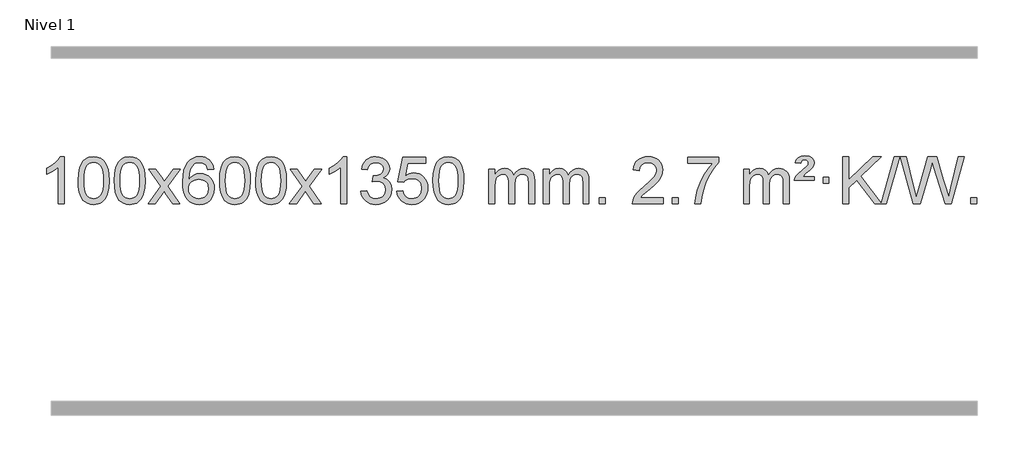
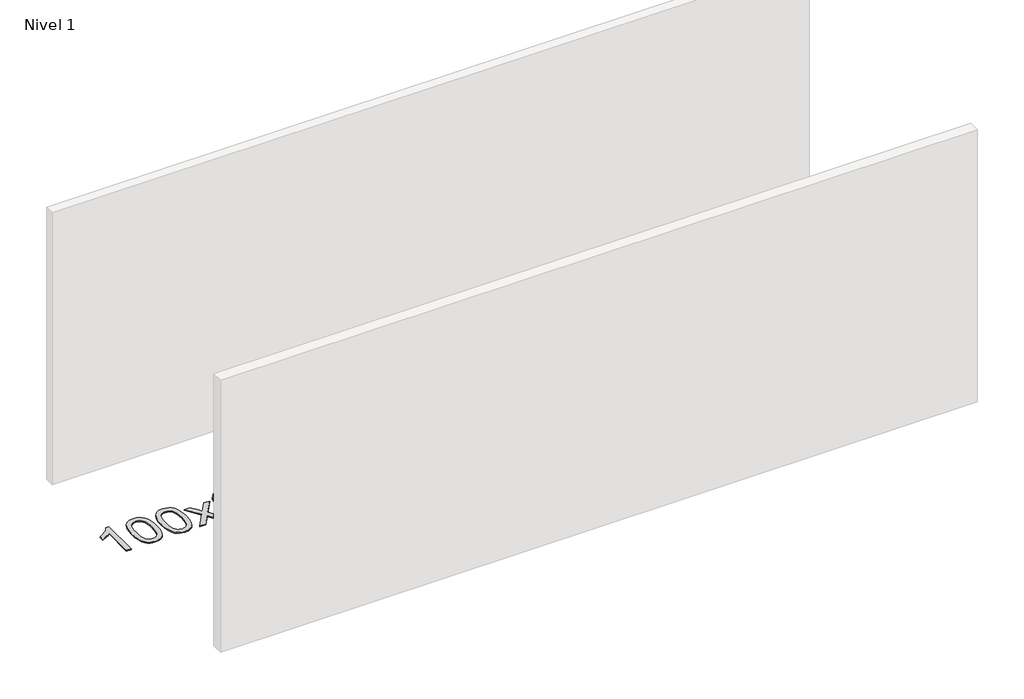
# One storey, part 4 of 8: 1 proxy.
"""IFC4 building model written with IfcOpenShell, lengths in millimetres."""

from ifc_helpers import new_model, si_unit, origin, origin_with_axes, place, context, project, spatial, polyline, outline, extrude, element, save

model = new_model("IFC4")

# Units and contexts
model_context = context("Model", 3, world=origin())
ifc_project = project(units=[si_unit("LENGTHUNIT", "METRE", prefix="MILLI")], contexts=[model_context])

# Site, building, storey
site = spatial("IfcSite", under=ifc_project)
building = spatial("IfcBuilding", under=site)
storey = spatial("IfcBuildingStorey", under=building, Name="Nivel 1", Elevation=0.0)

# Proxy
placement = place(None, origin())
element("IfcBuildingElementProxy", 1, Name="Texto de modelo 1", ObjectType="Texto de modelo 1", at=placement, inside=storey, context=model_context, shape_type="SweptSolid", body=[
    extrude(outline(polyline([(-121.6378538, -9415.579453), (-171.8660089, -9415.579453), (-171.8660089, -9102.4382987), (-192.8352826, -9119.3976587), (-219.4454136, -9136.3324932), (-272.3223191, -9161.6918254), (-272.3223191, -9114.2105225), (-232.8731065, -9092.7507395), (-198.6968691, -9067.219729), (-171.7556443, -9040.0700378), (-154.0114694, -9013.7542124), (-121.6378538, -9013.7542124), (-121.6378538, -9415.579453)])), origin_with_axes(), (0.0, 0.0, 1.0), 10.0),
    extrude(outline(polyline([(-2.3459855, -9217.9041943), (1.3450971, -9153.5861588), (12.4183452, -9102.2911459), (30.763394, -9063.2343407), (42.621457, -9048.0009605), (56.269879, -9035.6309284), (71.7546453, -9026.0598651), (89.1217412, -9019.2233914), (129.5029215, -9013.7542124), (160.4540601, -9016.991574), (188.167837, -9026.7036586), (211.3444027, -9042.5103217), (228.6839074, -9064.0314184), (241.7805065, -9091.0830078), (252.2283551, -9123.4811488), (259.0709602, -9164.6226186), (261.3518286, -9217.9041943), (257.6975341, -9281.8543477), (246.7346507, -9333.0267333), (228.4999664, -9372.1203266), (216.6694946, -9387.3996922), (203.0302696, -9399.8341036), (187.5271092, -9409.4695462), (170.1048311, -9416.3520052), (129.5029215, -9421.8579724), (101.8381955, -9419.4667394), (77.3127291, -9412.2930405), (55.9265225, -9400.3368757), (37.6795755, -9383.5982449), (20.1683926, -9353.3399508), (7.6604047, -9315.6381776), (0.155612, -9270.4929255), (-2.3459855, -9217.9041943)]), holes=[polyline([(47.8821695, -9217.8060924), (49.3536975, -9261.4706195), (53.7682815, -9296.8148822), (61.1259214, -9323.8388804), (71.4266172, -9342.5426142), (83.8855541, -9355.2682656), (97.7179171, -9364.3580165), (112.9237063, -9369.8118671), (129.5029215, -9371.6298173), (146.0821368, -9369.8057357), (161.2879259, -9364.3334911), (175.1202889, -9355.2130833), (187.5792258, -9342.4445124), (197.8799217, -9323.7101217), (205.2375616, -9296.6922549), (209.6521455, -9261.3909118), (211.1236735, -9217.8060924), (209.7011965, -9175.2973278), (205.4337653, -9140.5753989), (198.3213801, -9113.6403055), (188.3640408, -9094.4920476), (176.1135703, -9081.1440625), (162.1217918, -9071.6097875), (146.3887051, -9065.8892225), (128.9143103, -9063.9823675), (112.4209342, -9065.6623619), (97.4726625, -9070.7023452), (84.0694951, -9079.1023175), (72.2114321, -9090.8622786), (61.5673797, -9111.708925), (53.9644852, -9139.8151094), (49.4027484, -9175.1808319), (47.8821695, -9217.8060924)])]), origin_with_axes(), (0.0, 0.0, 1.0), 10.0),
    extrude(outline(polyline([(305.3014643, -9217.9041943), (308.992547, -9153.5861588), (320.065795, -9102.2911459), (338.4108439, -9063.2343407), (350.2689068, -9048.0009605), (363.9173289, -9035.6309284), (379.4020952, -9026.0598651), (396.769191, -9019.2233914), (437.1503714, -9013.7542124), (468.1015099, -9016.991574), (495.8152869, -9026.7036586), (518.9918526, -9042.5103217), (536.3313573, -9064.0314184), (549.4279563, -9091.0830078), (559.8758049, -9123.4811488), (566.7184101, -9164.6226186), (568.9992784, -9217.9041943), (565.3449839, -9281.8543477), (554.3821005, -9333.0267333), (536.1474163, -9372.1203266), (524.3169444, -9387.3996922), (510.6777195, -9399.8341036), (495.174559, -9409.4695462), (477.7522809, -9416.3520052), (437.1503714, -9421.8579724), (409.4856453, -9419.4667394), (384.960179, -9412.2930405), (363.5739723, -9400.3368757), (345.3270254, -9383.5982449), (327.8158424, -9353.3399508), (315.3078546, -9315.6381776), (307.8030619, -9270.4929255), (305.3014643, -9217.9041943)]), holes=[polyline([(355.5296194, -9217.8060924), (357.0011473, -9261.4706195), (361.4157313, -9296.8148822), (368.7733712, -9323.8388804), (379.0740671, -9342.5426142), (391.533004, -9355.2682656), (405.365367, -9364.3580165), (420.5711561, -9369.8118671), (437.1503714, -9371.6298173), (453.7295866, -9369.8057357), (468.9353757, -9364.3334911), (482.7677388, -9355.2130833), (495.2266757, -9342.4445124), (505.5273715, -9323.7101217), (512.8850114, -9296.6922549), (517.2995954, -9261.3909118), (518.7711234, -9217.8060924), (517.3486463, -9175.2973278), (513.0812152, -9140.5753989), (505.9688299, -9113.6403055), (496.0114906, -9094.4920476), (483.7610201, -9081.1440625), (469.7692416, -9071.6097875), (454.0361549, -9065.8892225), (436.5617602, -9063.9823675), (420.068384, -9065.6623619), (405.1201123, -9070.7023452), (391.716945, -9079.1023175), (379.858882, -9090.8622786), (369.2148296, -9111.708925), (361.611935, -9139.8151094), (357.0501983, -9175.1808319), (355.5296194, -9217.8060924)])]), origin_with_axes(), (0.0, 0.0, 1.0), 10.0),
    extrude(outline(polyline([(594.113356, -9415.579453), (701.4367967, -9267.2494325), (600.3918754, -9120.4890419), (660.8226244, -9120.4890419), (709.5792515, -9191.122385), (732.3388843, -9224.4770192), (752.0573592, -9197.2047007), (807.583015, -9120.4890419), (868.0137641, -9120.4890419), (761.8675458, -9267.2494325), (864.0896895, -9415.579453), (803.6589404, -9415.579453), (742.1490708, -9326.4048574), (730.8673563, -9310.1199477), (654.544105, -9415.579453), (594.113356, -9415.579453)])), origin_with_axes(), (0.0, 0.0, 1.0), 10.0),
    extrude(outline(polyline([(1152.9015812, -9120.4890419), (1102.6734261, -9126.7675613), (1094.5800222, -9101.874213), (1083.6416642, -9084.8780648), (1060.857506, -9069.2062918), (1033.3154073, -9063.9823675), (1009.9671633, -9067.0235253), (987.9923455, -9076.1469988), (969.1199991, -9095.3627017), (953.7057435, -9121.8134171), (943.2946831, -9159.227016), (939.4319221, -9211.3313693), (959.5795927, -9187.8237098), (983.7249143, -9171.2567573), (1010.5189863, -9161.434308), (1038.612908, -9158.1601582), (1062.7459669, -9160.398107), (1085.0150903, -9167.1119534), (1105.4202783, -9178.3016975), (1123.9615309, -9193.9673391), (1139.3696551, -9213.1769106), (1150.3754581, -9234.9984443), (1156.97894, -9259.4319401), (1159.1801006, -9286.4773982), (1155.0352967, -9322.4439945), (1142.6008853, -9355.786366), (1122.9069358, -9384.0642287), (1096.9835179, -9404.8372987), (1066.0078539, -9417.602804), (1031.1571662, -9421.8579724), (1001.2146375, -9419.0375437), (974.1722452, -9410.5762579), (950.0299893, -9396.4741147), (928.7878697, -9376.7311143), (911.4698248, -9350.5133908), (899.0997927, -9316.9870783), (891.6777734, -9276.1521768), (889.203767, -9228.0086864), (891.9506193, -9174.0342663), (900.191176, -9127.9693092), (913.9254371, -9089.8138149), (933.1534027, -9059.5677835), (953.9939177, -9039.5243462), (978.1576335, -9025.2076052), (1005.6445499, -9016.6175606), (1036.454667, -9013.7542124), (1059.5883131, -9015.5261773), (1080.52693, -9020.8420722), (1099.2705176, -9029.7018969), (1115.8190761, -9042.1056515), (1129.7250155, -9057.6364031), (1140.5407461, -9075.8772186), (1148.266268, -9096.8280983), (1152.9015812, -9120.4890419)]), holes=[polyline([(939.4319221, -9285.6925832), (942.3381899, -9307.9494439), (951.0569932, -9329.2007605), (964.5950506, -9347.472233), (981.9590807, -9360.7895612), (1002.9160917, -9368.9197533), (1027.2330916, -9371.6298173), (1060.3792594, -9366.0134855), (1074.2943959, -9358.9930708), (1086.4375674, -9349.1644901), (1096.2876078, -9336.9262824), (1103.323351, -9322.6769865), (1108.9519455, -9288.1451299), (1103.3969274, -9254.9989621), (1096.4531547, -9241.3781312), (1086.731873, -9229.725469), (1074.5519133, -9220.3904634), (1060.2321066, -9213.7226022), (1025.1729524, -9208.3883133), (992.0758356, -9213.7226022), (964.3988468, -9229.725469), (953.4758173, -9241.2248471), (945.6736533, -9254.3858254), (940.9923549, -9269.2084042), (939.4319221, -9285.6925832)])]), origin_with_axes(), (0.0, 0.0, 1.0), 10.0),
    extrude(outline(polyline([(1203.1297362, -9217.9041943), (1206.8208189, -9153.5861588), (1217.894067, -9102.2911459), (1236.2391158, -9063.2343407), (1248.0971788, -9048.0009605), (1261.7456008, -9035.6309284), (1277.2303671, -9026.0598651), (1294.597463, -9019.2233914), (1334.9786433, -9013.7542124), (1365.9297818, -9016.991574), (1393.6435588, -9026.7036586), (1416.8201245, -9042.5103217), (1434.1596292, -9064.0314184), (1447.2562282, -9091.0830078), (1457.7040769, -9123.4811488), (1464.546682, -9164.6226186), (1466.8275504, -9217.9041943), (1463.1732559, -9281.8543477), (1452.2103725, -9333.0267333), (1433.9756882, -9372.1203266), (1422.1452164, -9387.3996922), (1408.5059914, -9399.8341036), (1393.002831, -9409.4695462), (1375.5805529, -9416.3520052), (1334.9786433, -9421.8579724), (1307.3139173, -9419.4667394), (1282.7884509, -9412.2930405), (1261.4022443, -9400.3368757), (1243.1552973, -9383.5982449), (1225.6441144, -9353.3399508), (1213.1361265, -9315.6381776), (1205.6313338, -9270.4929255), (1203.1297362, -9217.9041943)]), holes=[polyline([(1253.3578913, -9217.8060924), (1254.8294193, -9261.4706195), (1259.2440032, -9296.8148822), (1266.6016432, -9323.8388804), (1276.902339, -9342.5426142), (1289.3612759, -9355.2682656), (1303.1936389, -9364.3580165), (1318.3994281, -9369.8118671), (1334.9786433, -9371.6298173), (1351.5578586, -9369.8057357), (1366.7636477, -9364.3334911), (1380.5960107, -9355.2130833), (1393.0549476, -9342.4445124), (1403.3556435, -9323.7101217), (1410.7132834, -9296.6922549), (1415.1278673, -9261.3909118), (1416.5993953, -9217.8060924), (1415.1769183, -9175.2973278), (1410.9094871, -9140.5753989), (1403.7971019, -9113.6403055), (1393.8397625, -9094.4920476), (1381.5892921, -9081.1440625), (1367.5975136, -9071.6097875), (1351.8644269, -9065.8892225), (1334.3900321, -9063.9823675), (1317.896656, -9065.6623619), (1302.9483843, -9070.7023452), (1289.5452169, -9079.1023175), (1277.6871539, -9090.8622786), (1267.0431015, -9111.708925), (1259.440207, -9139.8151094), (1254.8784702, -9175.1808319), (1253.3578913, -9217.8060924)])]), origin_with_axes(), (0.0, 0.0, 1.0), 10.0),
    extrude(outline(polyline([(1510.7771861, -9217.9041943), (1514.4682688, -9153.5861588), (1525.5415168, -9102.2911459), (1543.8865656, -9063.2343407), (1555.7446286, -9048.0009605), (1569.3930506, -9035.6309284), (1584.877817, -9026.0598651), (1602.2449128, -9019.2233914), (1642.6260932, -9013.7542124), (1673.5772317, -9016.991574), (1701.2910087, -9026.7036586), (1724.4675743, -9042.5103217), (1741.8070791, -9064.0314184), (1754.9036781, -9091.0830078), (1765.3515267, -9123.4811488), (1772.1941319, -9164.6226186), (1774.4750002, -9217.9041943), (1770.8207057, -9281.8543477), (1759.8578223, -9333.0267333), (1741.6231381, -9372.1203266), (1729.7926662, -9387.3996922), (1716.1534413, -9399.8341036), (1700.6502808, -9409.4695462), (1683.2280027, -9416.3520052), (1642.6260932, -9421.8579724), (1614.9613671, -9419.4667394), (1590.4359008, -9412.2930405), (1569.0496941, -9400.3368757), (1550.8027472, -9383.5982449), (1533.2915642, -9353.3399508), (1520.7835764, -9315.6381776), (1513.2787836, -9270.4929255), (1510.7771861, -9217.9041943)]), holes=[polyline([(1561.0053412, -9217.8060924), (1562.4768691, -9261.4706195), (1566.8914531, -9296.8148822), (1574.249093, -9323.8388804), (1584.5497888, -9342.5426142), (1597.0087258, -9355.2682656), (1610.8410888, -9364.3580165), (1626.0468779, -9369.8118671), (1642.6260932, -9371.6298173), (1659.2053084, -9369.8057357), (1674.4110975, -9364.3334911), (1688.2434606, -9355.2130833), (1700.7023975, -9342.4445124), (1711.0030933, -9323.7101217), (1718.3607332, -9296.6922549), (1722.7753172, -9261.3909118), (1724.2468452, -9217.8060924), (1722.8243681, -9175.2973278), (1718.556937, -9140.5753989), (1711.4445517, -9113.6403055), (1701.4872124, -9094.4920476), (1689.2367419, -9081.1440625), (1675.2449634, -9071.6097875), (1659.5118767, -9065.8892225), (1642.037482, -9063.9823675), (1625.5441058, -9065.6623619), (1610.5958341, -9070.7023452), (1597.1926667, -9079.1023175), (1585.3346038, -9090.8622786), (1574.6905514, -9111.708925), (1567.0876568, -9139.8151094), (1562.5259201, -9175.1808319), (1561.0053412, -9217.8060924)])]), origin_with_axes(), (0.0, 0.0, 1.0), 10.0),
    extrude(outline(polyline([(1799.5890778, -9415.579453), (1906.9125185, -9267.2494325), (1805.8675971, -9120.4890419), (1866.2983462, -9120.4890419), (1915.0549733, -9191.122385), (1937.8146061, -9224.4770192), (1957.533081, -9197.2047007), (2013.0587368, -9120.4890419), (2073.4894859, -9120.4890419), (1967.3432676, -9267.2494325), (2069.5654113, -9415.579453), (2009.1346622, -9415.579453), (1947.6247926, -9326.4048574), (1936.3430781, -9310.1199477), (1860.0198268, -9415.579453), (1799.5890778, -9415.579453)])), origin_with_axes(), (0.0, 0.0, 1.0), 10.0),
    extrude(outline(polyline([(2289.3135897, -9415.579453), (2239.0854347, -9415.579453), (2239.0854347, -9102.4382987), (2218.1161609, -9119.3976587), (2191.50603, -9136.3324932), (2138.6291245, -9161.6918254), (2138.6291245, -9114.2105225), (2178.0783371, -9092.7507395), (2212.2545745, -9067.219729), (2239.1957993, -9040.0700378), (2256.9399742, -9013.7542124), (2289.3135897, -9013.7542124), (2289.3135897, -9415.579453)])), origin_with_axes(), (0.0, 0.0, 1.0), 10.0),
    extrude(outline(polyline([(2408.605458, -9308.8446235), (2458.8336131, -9302.5661041), (2470.0785394, -9334.1303793), (2486.5473901, -9355.4430095), (2509.0495055, -9367.5831154), (2538.3942259, -9371.6298173), (2572.8279807, -9366.0625364), (2587.1018021, -9359.1034354), (2599.4135862, -9349.3606939), (2616.4097344, -9324.4428201), (2622.0751171, -9294.2274455), (2616.4587853, -9265.5449126), (2599.6097899, -9242.2825078), (2574.1033049, -9226.8682522), (2542.5145043, -9221.730167), (2507.2959346, -9227.2238715), (2512.8877409, -9176.9957164), (2520.9320939, -9177.5843276), (2551.0248411, -9173.979084), (2577.9292777, -9163.1633534), (2589.0025257, -9154.9841103), (2596.9119886, -9144.8673555), (2601.6576664, -9132.8130888), (2603.239559, -9118.8213102), (2598.6532968, -9097.1285352), (2584.8945101, -9079.5315131), (2563.9007109, -9067.8696539), (2537.609411, -9063.9823675), (2511.2690602, -9067.9064421), (2489.7357007, -9079.6786659), (2474.0148768, -9099.299039), (2465.1121325, -9126.7675613), (2414.8839774, -9120.4890419), (2420.8375344, -9096.5092672), (2429.6728336, -9075.3867093), (2441.3898752, -9057.1213683), (2455.988659, -9041.713244), (2473.0093327, -9029.4811677), (2491.9920436, -9020.7439703), (2512.9367919, -9015.5016519), (2535.8435774, -9013.7542124), (2567.4201154, -9017.2000404), (2596.4214793, -9027.5375245), (2620.8733693, -9043.8469596), (2638.8014852, -9065.2086408), (2649.8011568, -9089.8199463), (2653.467714, -9115.8782543), (2649.9850978, -9140.1584659), (2639.5372491, -9162.1823347), (2622.2713208, -9180.9443165), (2598.3344657, -9195.4388671), (2629.7761135, -9208.1430586), (2653.0753066, -9229.77452), (2667.4962808, -9259.1560286), (2672.3032722, -9295.1103623), (2669.8997765, -9320.5923218), (2662.6892894, -9344.0631931), (2650.6718109, -9365.5229762), (2633.847341, -9384.971671), (2613.3501825, -9401.1094278), (2590.3146382, -9412.636397), (2564.7407082, -9419.5525785), (2536.6283924, -9421.8579724), (2511.2200092, -9419.8898037), (2488.067969, -9413.9852977), (2467.1722717, -9404.1444543), (2448.5329173, -9390.3672736), (2432.9040638, -9373.4630959), (2421.0398695, -9354.2412617), (2412.9403342, -9332.7017708), (2408.605458, -9308.8446235)])), origin_with_axes(), (0.0, 0.0, 1.0), 10.0),
    extrude(outline(polyline([(2716.2529079, -9308.8446235), (2766.481063, -9302.5661041), (2775.7026383, -9332.7201649), (2791.7913442, -9354.3148381), (2814.6736043, -9367.3010725), (2844.2758422, -9371.6298173), (2863.4057059, -9370.1245668), (2880.2792268, -9365.6088153), (2894.8964047, -9358.0825628), (2907.2572398, -9347.5458094), (2917.0858204, -9334.519721), (2924.1062352, -9319.5254641), (2929.7225669, -9283.6324441), (2924.4618544, -9249.8363514), (2917.8859638, -9235.9181493), (2908.6797168, -9223.9865099), (2896.8124568, -9214.4154467), (2882.2535268, -9207.5789729), (2845.0606571, -9202.1097939), (2820.6946063, -9204.2925604), (2800.9638686, -9210.8408599), (2785.2062565, -9220.8717757), (2772.7595823, -9233.5023908), (2722.5314273, -9227.2238715), (2766.481063, -9020.0327318), (2961.1151639, -9020.0327318), (2961.1151639, -9070.2608869), (2807.0952352, -9070.2608869), (2785.6109267, -9180.919791), (2803.3367075, -9168.2155994), (2821.491684, -9159.1411769), (2840.0758561, -9153.6965234), (2859.0892239, -9151.8816388), (2883.5503109, -9154.1318504), (2906.0187037, -9160.882485), (2926.4944024, -9172.1335427), (2944.977407, -9187.8850234), (2960.2782323, -9207.1743027), (2971.2073933, -9229.038756), (2977.7648898, -9253.4783832), (2979.950722, -9280.4931844), (2977.9825533, -9306.5147042), (2972.0780473, -9330.7213394), (2962.237204, -9353.1130902), (2948.4600232, -9373.6899565), (2927.5888514, -9394.7634634), (2903.2350633, -9409.8159684), (2875.398659, -9418.8474714), (2844.0796385, -9421.8579724), (2818.1592862, -9419.9235262), (2794.7466629, -9414.1201877), (2773.8417685, -9404.447957), (2755.4446031, -9390.9068338), (2740.1376464, -9374.1712688), (2728.5033783, -9354.915712), (2720.5417988, -9333.1401636), (2716.2529079, -9308.8446235)])), origin_with_axes(), (0.0, 0.0, 1.0), 10.0),
    extrude(outline(polyline([(3023.9003577, -9217.9041943), (3027.5914404, -9153.5861588), (3038.6646885, -9102.2911459), (3057.0097373, -9063.2343407), (3068.8678003, -9048.0009605), (3082.5162223, -9035.6309284), (3098.0009886, -9026.0598651), (3115.3680844, -9019.2233914), (3155.7492648, -9013.7542124), (3186.7004033, -9016.991574), (3214.4141803, -9026.7036586), (3237.590746, -9042.5103217), (3254.9302507, -9064.0314184), (3268.0268497, -9091.0830078), (3278.4746984, -9123.4811488), (3285.3173035, -9164.6226186), (3287.5981719, -9217.9041943), (3283.9438774, -9281.8543477), (3272.9809939, -9333.0267333), (3254.7463097, -9372.1203266), (3242.9158379, -9387.3996922), (3229.2766129, -9399.8341036), (3213.7734525, -9409.4695462), (3196.3511743, -9416.3520052), (3155.7492648, -9421.8579724), (3128.0845387, -9419.4667394), (3103.5590724, -9412.2930405), (3082.1728657, -9400.3368757), (3063.9259188, -9383.5982449), (3046.4147358, -9353.3399508), (3033.906748, -9315.6381776), (3026.4019553, -9270.4929255), (3023.9003577, -9217.9041943)]), holes=[polyline([(3074.1285128, -9217.8060924), (3075.6000408, -9261.4706195), (3080.0146247, -9296.8148822), (3087.3722646, -9323.8388804), (3097.6729605, -9342.5426142), (3110.1318974, -9355.2682656), (3123.9642604, -9364.3580165), (3139.1700495, -9369.8118671), (3155.7492648, -9371.6298173), (3172.32848, -9369.8057357), (3187.5342692, -9364.3334911), (3201.3666322, -9355.2130833), (3213.8255691, -9342.4445124), (3224.126265, -9323.7101217), (3231.4839049, -9296.6922549), (3235.8984888, -9261.3909118), (3237.3700168, -9217.8060924), (3235.9475397, -9175.2973278), (3231.6801086, -9140.5753989), (3224.5677233, -9113.6403055), (3214.610384, -9094.4920476), (3202.3599136, -9081.1440625), (3188.368135, -9071.6097875), (3172.6350484, -9065.8892225), (3155.1606536, -9063.9823675), (3138.6672775, -9065.6623619), (3123.7190057, -9070.7023452), (3110.3158384, -9079.1023175), (3098.4577754, -9090.8622786), (3087.813723, -9111.708925), (3080.2108284, -9139.8151094), (3075.6490917, -9175.1808319), (3074.1285128, -9217.8060924)])]), origin_with_axes(), (0.0, 0.0, 1.0), 10.0),
    extrude(outline(polyline([(3501.0678309, -9415.579453), (3501.0678309, -9120.4890419), (3551.295986, -9120.4890419), (3551.295986, -9169.0494653), (3566.4036733, -9146.7435537), (3585.8278426, -9129.2691589), (3608.9063064, -9117.9751816), (3634.9768772, -9114.2105225), (3662.9113833, -9118.048758), (3685.3031341, -9129.5634645), (3702.0295022, -9147.9943524), (3712.9678601, -9172.5811324), (3731.2761208, -9147.0439906), (3752.1595554, -9128.803175), (3775.6181639, -9117.8586857), (3801.6519464, -9114.2105225), (3821.7597632, -9115.7280358), (3839.4089019, -9120.2805755), (3854.5993626, -9127.8681416), (3867.3311453, -9138.4907342), (3877.3957836, -9152.2709806), (3884.5848109, -9169.3315082), (3888.8982273, -9189.6723168), (3890.3360328, -9213.2934066), (3890.3360328, -9415.579453), (3840.1078777, -9415.579453), (3840.1078777, -9234.875817), (3838.942918, -9209.8230531), (3835.4480391, -9192.9372695), (3828.8997396, -9181.3735121), (3818.5745182, -9172.2868268), (3805.2939782, -9166.4007149), (3789.8797226, -9164.4386776), (3762.6687177, -9169.4663982), (3740.4854334, -9184.54956), (3731.8800604, -9196.1194488), (3725.7333654, -9210.7182326), (3720.8160094, -9249.0024856), (3720.8160094, -9415.579453), (3670.5878543, -9415.579453), (3670.5878543, -9229.2840106), (3667.6815865, -9200.8835206), (3658.9627833, -9180.6254854), (3643.6221041, -9168.4853796), (3620.8502086, -9164.4386776), (3601.4996156, -9167.1364789), (3583.6696016, -9175.2298828), (3568.9543218, -9188.5226856), (3558.9479315, -9206.8186835), (3553.2089724, -9232.2025411), (3551.295986, -9266.7589232), (3551.295986, -9415.579453), (3501.0678309, -9415.579453)])), origin_with_axes(), (0.0, 0.0, 1.0), 10.0),
    extrude(outline(polyline([(3965.6782654, -9415.579453), (3965.6782654, -9120.4890419), (4015.9064204, -9120.4890419), (4015.9064204, -9169.0494653), (4031.0141077, -9146.7435537), (4050.4382771, -9129.2691589), (4073.5167409, -9117.9751816), (4099.5873116, -9114.2105225), (4127.5218178, -9118.048758), (4149.9135685, -9129.5634645), (4166.6399366, -9147.9943524), (4177.5782946, -9172.5811324), (4195.8865552, -9147.0439906), (4216.7699898, -9128.803175), (4240.2285984, -9117.8586857), (4266.2623809, -9114.2105225), (4286.3701976, -9115.7280358), (4304.0193363, -9120.2805755), (4319.209797, -9127.8681416), (4331.9415798, -9138.4907342), (4342.006218, -9152.2709806), (4349.1952453, -9169.3315082), (4353.5086617, -9189.6723168), (4354.9464672, -9213.2934066), (4354.9464672, -9415.579453), (4304.7183121, -9415.579453), (4304.7183121, -9234.875817), (4303.5533525, -9209.8230531), (4300.0584735, -9192.9372695), (4293.510174, -9181.3735121), (4283.1849527, -9172.2868268), (4269.9044126, -9166.4007149), (4254.490157, -9164.4386776), (4227.2791521, -9169.4663982), (4205.0958678, -9184.54956), (4196.4904948, -9196.1194488), (4190.3437998, -9210.7182326), (4185.4264438, -9249.0024856), (4185.4264438, -9415.579453), (4135.1982887, -9415.579453), (4135.1982887, -9229.2840106), (4132.292021, -9200.8835206), (4123.5732177, -9180.6254854), (4108.2325385, -9168.4853796), (4085.460643, -9164.4386776), (4066.11005, -9167.1364789), (4048.280036, -9175.2298828), (4033.5647562, -9188.5226856), (4023.5583659, -9206.8186835), (4017.8194068, -9232.2025411), (4015.9064204, -9266.7589232), (4015.9064204, -9415.579453), (3965.6782654, -9415.579453)])), origin_with_axes(), (0.0, 0.0, 1.0), 10.0),
    extrude(outline(polyline([(4442.8457386, -9415.579453), (4442.8457386, -9365.3512979), (4493.0738936, -9365.3512979), (4493.0738936, -9415.579453), (4442.8457386, -9415.579453)])), origin_with_axes(), (0.0, 0.0, 1.0), 10.0),
    extrude(outline(polyline([(4989.076925, -9365.3512979), (4989.076925, -9415.579453), (4725.3791109, -9415.579453), (4726.4827569, -9397.8965918), (4730.7747135, -9380.9494945), (4743.160074, -9353.8856424), (4761.2843936, -9327.6311307), (4787.5021171, -9300.1503456), (4824.1676893, -9269.4076736), (4878.3689699, -9221.2641831), (4910.8897383, -9185.7267824), (4927.1501225, -9156.884834), (4932.5702506, -9128.8277005), (4927.4566908, -9103.6768347), (4912.1160116, -9082.7688747), (4888.5347757, -9068.6789943), (4858.6995459, -9063.9823675), (4827.3682627, -9068.5686297), (4803.0267373, -9082.3274163), (4787.3181761, -9104.1796068), (4781.8857853, -9133.0460807), (4731.6576303, -9126.7675613), (4735.977178, -9100.838012), (4743.8345243, -9078.1826125), (4755.2296691, -9058.8013627), (4770.1626124, -9042.6942627), (4788.2899977, -9030.0329907), (4809.2684685, -9020.989225), (4833.0980247, -9015.5629655), (4859.7786664, -9013.7542124), (4886.6984314, -9015.7653006), (4910.6567464, -9021.7985654), (4931.6536112, -9031.8540066), (4949.6890261, -9045.9316242), (4964.1743796, -9062.9890861), (4974.5210607, -9081.9840598), (4980.7290694, -9102.9165453), (4982.7984056, -9125.7865427), (4980.5665882, -9149.8092369), (4973.8711359, -9173.4149983), (4961.9885474, -9197.4254299), (4944.1953216, -9222.6621347), (4915.8316198, -9252.7916701), (4872.2376033, -9291.4805933), (4814.4556046, -9339.795762), (4791.7940737, -9365.3512979), (4989.076925, -9365.3512979)])), origin_with_axes(), (0.0, 0.0, 1.0), 10.0),
    extrude(outline(polyline([(5064.4191576, -9415.579453), (5064.4191576, -9365.3512979), (5114.6473127, -9365.3512979), (5114.6473127, -9415.579453), (5064.4191576, -9415.579453)])), origin_with_axes(), (0.0, 0.0, 1.0), 10.0),
    extrude(outline(polyline([(5196.2680647, -9070.2608869), (5196.2680647, -9020.0327318), (5459.9658788, -9020.0327318), (5459.9658788, -9060.646904), (5422.3806017, -9108.214046), (5385.1632065, -9168.7061088), (5352.3358698, -9236.6048623), (5327.920768, -9306.3920768), (5315.9523405, -9358.6067947), (5309.2814136, -9415.579453), (5259.0532585, -9415.579453), (5264.4856493, -9363.8061935), (5279.0169881, -9302.2717985), (5302.2548675, -9237.0463207), (5333.80688, -9174.1998132), (5370.6441304, -9117.3865704), (5409.7377238, -9070.2608869), (5196.2680647, -9070.2608869)])), origin_with_axes(), (0.0, 0.0, 1.0), 10.0),
    extrude(outline(polyline([(5673.4355379, -9415.579453), (5673.4355379, -9120.4890419), (5723.663693, -9120.4890419), (5723.663693, -9169.0494653), (5738.7713803, -9146.7435537), (5758.1955496, -9129.2691589), (5781.2740134, -9117.9751816), (5807.3445842, -9114.2105225), (5835.2790903, -9118.048758), (5857.6708411, -9129.5634645), (5874.3972091, -9147.9943524), (5885.3355671, -9172.5811324), (5903.6438278, -9147.0439906), (5924.5272623, -9128.803175), (5947.9858709, -9117.8586857), (5974.0196534, -9114.2105225), (5994.1274702, -9115.7280358), (6011.7766089, -9120.2805755), (6026.9670696, -9127.8681416), (6039.6988523, -9138.4907342), (6049.7634906, -9152.2709806), (6056.9525179, -9169.3315082), (6061.2659343, -9189.6723168), (6062.7037397, -9213.2934066), (6062.7037397, -9415.579453), (6012.4755847, -9415.579453), (6012.4755847, -9234.875817), (6011.310625, -9209.8230531), (6007.8157461, -9192.9372695), (6001.2674465, -9181.3735121), (5990.9422252, -9172.2868268), (5977.6616852, -9166.4007149), (5962.2474296, -9164.4386776), (5935.0364247, -9169.4663982), (5912.8531404, -9184.54956), (5904.2477674, -9196.1194488), (5898.1010724, -9210.7182326), (5893.1837164, -9249.0024856), (5893.1837164, -9415.579453), (5842.9555613, -9415.579453), (5842.9555613, -9229.2840106), (5840.0492935, -9200.8835206), (5831.3304902, -9180.6254854), (5815.989811, -9168.4853796), (5793.2179155, -9164.4386776), (5773.8673226, -9167.1364789), (5756.0373086, -9175.2298828), (5741.3220287, -9188.5226856), (5731.3156385, -9206.8186835), (5725.5766794, -9232.2025411), (5723.663693, -9266.7589232), (5723.663693, -9415.579453), (5673.4355379, -9415.579453)])), origin_with_axes(), (0.0, 0.0, 1.0), 10.0),
    extrude(outline(polyline([(6106.6533754, -9214.6668327), (6110.4793482, -9198.8479069), (6118.8180067, -9182.9799302), (6140.3268407, -9157.8413272), (6172.2835234, -9130.1030247), (6216.4293628, -9092.726214), (6223.5662735, -9081.1992448), (6225.9452437, -9069.3779701), (6224.0567828, -9057.2869152), (6218.3914001, -9047.5012541), (6209.022672, -9041.026531), (6196.0241748, -9038.8682899), (6183.5897634, -9040.4869707), (6174.73607, -9045.343013), (6168.3103978, -9054.8098431), (6163.1600499, -9070.2608869), (6112.9318948, -9063.9823675), (6123.7721509, -9038.7701881), (6140.4004171, -9021.2099542), (6164.165594, -9010.9092583), (6196.4165822, -9007.475693), (6232.1992376, -9011.6082341), (6256.9454332, -9024.0058573), (6271.3664074, -9042.3386434), (6276.1733988, -9064.2766731), (6272.0776459, -9087.1834586), (6259.7903873, -9108.8149199), (6239.262572, -9128.6314968), (6202.7932035, -9156.6886303), (6177.1886166, -9183.2742358), (6276.1733988, -9183.2742358), (6276.1733988, -9214.6668327), (6106.6533754, -9214.6668327)])), origin_with_axes(), (0.0, 0.0, 1.0), 10.0),
    extrude(outline(polyline([(6351.5156314, -9239.7809102), (6351.5156314, -9189.5527552), (6401.7437865, -9189.5527552), (6401.7437865, -9239.7809102), (6351.5156314, -9239.7809102)])), origin_with_axes(), (0.0, 0.0, 1.0), 10.0),
    extrude(outline(polyline([(6792.3854144, -9415.579453), (6638.954097, -9212.9009991), (6571.2638099, -9277.4520265), (6571.2638099, -9415.579453), (6521.0356548, -9415.579453), (6521.0356548, -9013.7542124), (6571.2638099, -9013.7542124), (6571.2638099, -9210.4484525), (6777.2777272, -9013.7542124), (6847.5186628, -9013.7542124), (6674.5650741, -9178.9577537), (6849.218684, -9409.5349332), (6960.5320117, -9013.7542124), (7005.8550735, -9013.7542124), (6892.8417246, -9415.579453), (6853.7971822, -9415.579453), (6847.5186628, -9415.579453), (6792.3854144, -9415.579453)])), origin_with_axes(), (0.0, 0.0, 1.0), 10.0),
    extrude(outline(polyline([(7120.3399504, -9415.579453), (7010.7601668, -9013.7542124), (7062.5579517, -9013.7542124), (7126.1279605, -9277.844434), (7145.7483335, -9359.3670841), (7166.7421327, -9287.2622131), (7246.4008474, -9013.7542124), (7321.056367, -9013.7542124), (7378.9364675, -9212.0180823), (7403.731714, -9285.5944814), (7422.0031864, -9359.3670841), (7441.0349483, -9280.1988788), (7505.1935683, -9013.7542124), (7556.9913532, -9013.7542124), (7447.3134677, -9415.579453), (7393.6517474, -9415.579453), (7297.3157155, -9105.5775584), (7283.87576, -9062.3146358), (7268.7680727, -9114.4067263), (7180.9669032, -9415.579453), (7120.3399504, -9415.579453)])), origin_with_axes(), (0.0, 0.0, 1.0), 10.0),
    extrude(outline(polyline([(7613.4980277, -9415.579453), (7613.4980277, -9365.3512979), (7663.7261827, -9365.3512979), (7663.7261827, -9415.579453), (7613.4980277, -9415.579453)])), origin_with_axes(), (0.0, 0.0, 1.0), 10.0),
])

save(model, "model.ifc")
